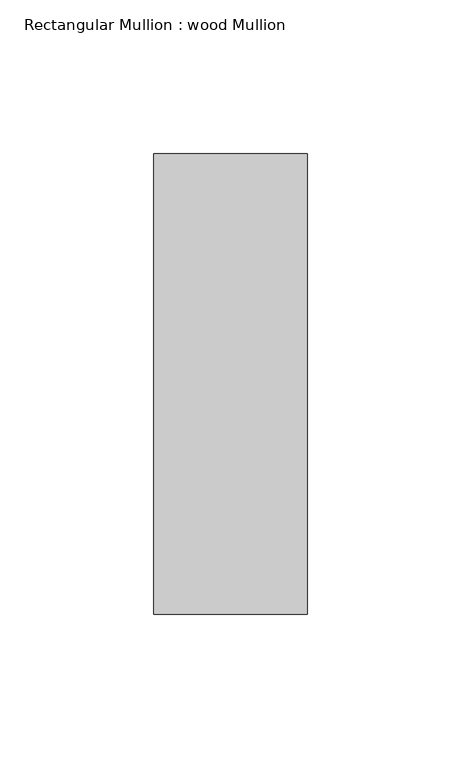
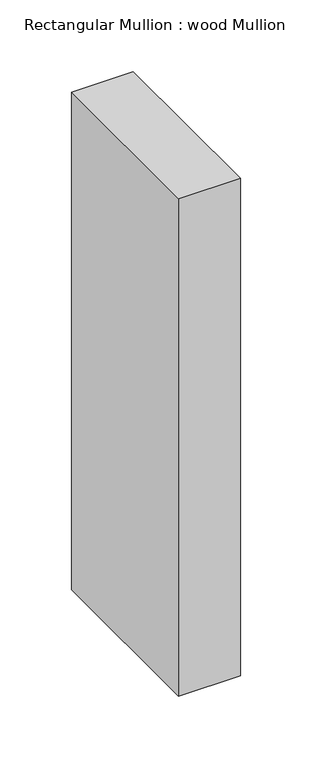
"""IFC4 building model written with IfcOpenShell, lengths in millimetres: member geometry, Rectangular Mullion : wood Mullion."""

from ifc_helpers import new_model, si_unit, frame, origin, place, context, project, spatial, polyline, outline, extrude, source, transform, mapped, element, save


def rectangular_mullion_wood_mullion_129a33a7(model_context):
    return source(origin(), model_context, "Body", "SweptSolid", [
        extrude(outline(polyline([(25.0, 75.0), (25.0, -75.0), (-25.0, -75.0), (-25.0, 75.0), (25.0, 75.0)])), frame((0.0, 0.0, -425.0), z_axis=(0.0, 0.0, 1.0), x_axis=(1.0, 0.0, 0.0)), (0.0, 0.0, 1.0), 425.0),
    ])


if __name__ == "__main__":
    model = new_model("IFC4")
    model_context = context("Model", 3, world=origin())
    ifc_project = project(units=[si_unit("LENGTHUNIT", "METRE", prefix="MILLI")], contexts=[model_context])
    site = spatial("IfcSite", under=ifc_project)
    building = spatial("IfcBuilding", under=site)
    placement = place(None, origin())
    rectangular_mullion_wood_mullion_shape = rectangular_mullion_wood_mullion_129a33a7(model_context)
    element("IfcMember", 1, ObjectType="Rectangular Mullion : wood Mullion", at=placement, inside=building, context=model_context, shape_type="MappedRepresentation", body=[
        mapped(rectangular_mullion_wood_mullion_shape, transform((0.0, 0.0, 0.0), x_axis=(1.0, 0.0, 0.0), y_axis=(0.0, 1.0, 0.0), z_axis=(0.0, 0.0, 1.0))),
    ])
    save(model, "model.ifc")
